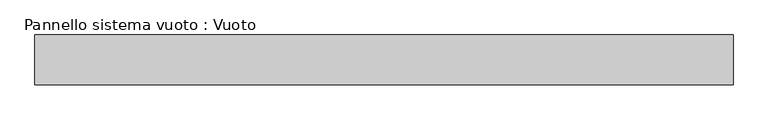
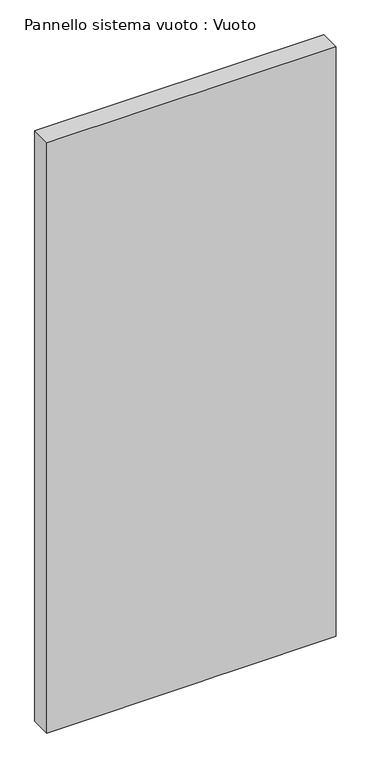
"""IFC4 building model written with IfcOpenShell, lengths in millimetres: plate geometry, Pannello sistema vuoto : Vuoto."""

import ifcopenshell
import ifcopenshell.guid

model = None  # the IFC model being written
_history = None  # IfcOwnerHistory: only IFC2X3 demands one
_inside = {}  # id of a spatial element -> (the spatial element, [elements in it])
_under = {}  # id of a project, library or spatial element -> (it, [spatial elements below it])
_declared = {}  # id of a project -> (the project, [libraries it declares])
_typed = {}  # id of a type object -> (the type object, [elements of that type])
_made_of = {}  # id of a material, layer set ... -> (it, [elements and type objects made of it])


def new_model(schema):
    """Start an empty IFC model of exactly this schema.

    Asked for "IFC4X3", IfcOpenShell would pick the latest addendum, in which some entities
    have other attributes; the version numbers below select the first issue.
    IFC2X3 requires an IfcOwnerHistory on every rooted entity: one is made here for all.
    """
    global model, _history
    if schema == "IFC4X3":
        model = ifcopenshell.file(schema_version=(4, 3, 0, 0))
    else:
        model = ifcopenshell.file(schema=schema)
    _inside.clear()
    _under.clear()
    _declared.clear()
    _typed.clear()
    _made_of.clear()
    _history = None
    if model.schema == "IFC2X3":
        org = make("IfcOrganization", Name="unknown")
        user = make(
            "IfcPersonAndOrganization",
            ThePerson=make("IfcPerson", FamilyName="unknown"),
            TheOrganization=org,
        )
        app = make(
            "IfcApplication",
            ApplicationDeveloper=org,
            Version="unknown",
            ApplicationFullName="unknown",
            ApplicationIdentifier="unknown",
        )
        _history = make(
            "IfcOwnerHistory",
            OwningUser=user,
            OwningApplication=app,
            ChangeAction="ADDED",
            CreationDate=0,
        )
    return model


def make(cls, **values):
    """One entity of the class cls with the attributes given. An attribute that is None is left unset."""
    return model.create_entity(
        cls, **{name: value for name, value in values.items() if value is not None}
    )


def rooted(cls, **values):
    """An entity with a GlobalId (a new one), such as an element, a storey or a relation."""
    return make(cls, GlobalId=ifcopenshell.guid.new(), OwnerHistory=_history, **values)


def si_unit(unit_type, name, prefix=None):
    """IfcSIUnit, for example si_unit("LENGTHUNIT", "METRE", prefix="MILLI")."""
    return make("IfcSIUnit", UnitType=unit_type, Prefix=prefix, Name=name)


def assignment(units):
    """IfcUnitAssignment: the units of a project."""
    return None if units is None else make("IfcUnitAssignment", Units=units)


def point(xyz):
    """IfcCartesianPoint."""
    return None if xyz is None else make("IfcCartesianPoint", Coordinates=xyz)


def direction(xyz):
    """IfcDirection."""
    return None if xyz is None else make("IfcDirection", DirectionRatios=xyz)


def frame(location, z_axis=None, x_axis=None):
    """IfcAxis2Placement3D, a coordinate frame: its origin and axes. An axis left out is left unset."""
    return make(
        "IfcAxis2Placement3D",
        Location=point(location),
        Axis=direction(z_axis),
        RefDirection=direction(x_axis),
    )


def origin():
    """The frame at (0, 0, 0) with its axes left unset."""
    return frame((0.0, 0.0, 0.0))


def place(relative_to, where):
    """IfcLocalPlacement: puts the frame where relative to a parent placement (None: the world)."""
    return make(
        "IfcLocalPlacement", PlacementRelTo=relative_to, RelativePlacement=where
    )


def context(
    kind, dimensions, precision=None, world=None, true_north=None, identifier=None
):
    """IfcGeometricRepresentationContext, for example the 3D "Model" context."""
    return make(
        "IfcGeometricRepresentationContext",
        ContextIdentifier=identifier,
        ContextType=kind,
        CoordinateSpaceDimension=dimensions,
        Precision=precision,
        WorldCoordinateSystem=world,
        TrueNorth=true_north,
    )


def project(units=None, contexts=None):
    """IfcProject with its units and contexts."""
    return rooted(
        "IfcProject",
        Name="project",
        RepresentationContexts=contexts,
        UnitsInContext=assignment(units),
    )


def spatial(cls, under=None, at=None, **own):
    """A site, building, storey or space (cls), placed at a placement, below another one or the project."""
    s = rooted(cls, ObjectPlacement=at, **own)
    if under is not None:
        _under.setdefault(under.id(), (under, []))[1].append(s)
    return s


def polyline(points):
    """IfcPolyline through the points."""
    return make("IfcPolyline", Points=[point(p) for p in points])


def outline(outer, holes=None, kind="AREA"):
    """IfcArbitraryClosedProfileDef: a profile drawn as a closed curve; with holes, ...WithVoids."""
    if holes is None:
        return make("IfcArbitraryClosedProfileDef", ProfileType=kind, OuterCurve=outer)
    return make(
        "IfcArbitraryProfileDefWithVoids",
        ProfileType=kind,
        OuterCurve=outer,
        InnerCurves=holes,
    )


def extrude(swept, where, along, depth):
    """IfcExtrudedAreaSolid: the profile swept, set in the frame where, extruded along a direction by depth."""
    return make(
        "IfcExtrudedAreaSolid",
        SweptArea=swept,
        Position=where,
        ExtrudedDirection=direction(along),
        Depth=depth,
    )


def shape(context_of_items, identifier, shape_type, items):
    """IfcShapeRepresentation: the items that make up one representation, for example the "Body"."""
    return make(
        "IfcShapeRepresentation",
        ContextOfItems=context_of_items,
        RepresentationIdentifier=identifier,
        RepresentationType=shape_type,
        Items=items,
    )


def source(mapping_origin, context_of_items, identifier, shape_type, items):
    """IfcRepresentationMap: a shape defined once, which mapped items show again and again."""
    return make(
        "IfcRepresentationMap",
        MappingOrigin=mapping_origin,
        MappedRepresentation=shape(context_of_items, identifier, shape_type, items),
    )


def transform(
    local_origin,
    x_axis=None,
    y_axis=None,
    z_axis=None,
    scale=None,
    scale2=None,
    scale3=None,
    uniform=True,
):
    """IfcCartesianTransformationOperator3D, or its non-uniform kind. x_axis, y_axis, z_axis: its Axis1, 2, 3."""
    if uniform:
        return make(
            "IfcCartesianTransformationOperator3D",
            Axis1=direction(x_axis),
            Axis2=direction(y_axis),
            LocalOrigin=point(local_origin),
            Scale=scale,
            Axis3=direction(z_axis),
        )
    return make(
        "IfcCartesianTransformationOperator3DnonUniform",
        Axis1=direction(x_axis),
        Axis2=direction(y_axis),
        LocalOrigin=point(local_origin),
        Scale=scale,
        Axis3=direction(z_axis),
        Scale2=scale2,
        Scale3=scale3,
    )


def mapped(mapping_source, mapping_target):
    """IfcMappedItem: shows the shape of a source again, moved by a transform."""
    return make(
        "IfcMappedItem", MappingSource=mapping_source, MappingTarget=mapping_target
    )


def made_of(thing, what):
    """Note that an element or type object is made of a material, layer set ...; save() writes the relation."""
    if what is not None:
        _made_of.setdefault(what.id(), (what, []))[1].append(thing)
    return thing


def element(
    cls,
    number,
    at=None,
    inside=None,
    cuts=None,
    type_object=None,
    material=None,
    context=None,
    identifier="Body",
    shape_type=None,
    held_by="IfcProductDefinitionShape",
    body=None,
    shapes=None,
    **own,
):
    """One element of the class cls, such as IfcWall. Its Tag is "e" and its number.

    at: its placement. inside: the storey or other place that contains it. cuts: it is an
    opening in that element (IfcRelVoidsElement). A single representation is given by context,
    identifier, shape_type and body (its items); several are given by shapes. held_by: the class
    of the entity that holds the representations. save() writes the other relations.
    """
    e = rooted(cls, Tag="e%d" % number, ObjectPlacement=at, **own)
    if body is not None:
        shapes = [shape(context, identifier, shape_type, body)]
    if shapes is not None:
        e.Representation = make(held_by, Representations=shapes)
    if inside is not None:
        _inside.setdefault(inside.id(), (inside, []))[1].append(e)
    if cuts is not None:
        rooted(
            "IfcRelVoidsElement", RelatingBuildingElement=cuts, RelatedOpeningElement=e
        )
    if type_object is not None:
        _typed.setdefault(type_object.id(), (type_object, []))[1].append(e)
    return made_of(e, material)


def aggregate(whole, parts):
    """IfcRelAggregates: a whole, such as a stair, and the parts it consists of."""
    return rooted("IfcRelAggregates", RelatingObject=whole, RelatedObjects=parts)


def save(model, path):
    """Write the relations noted so far, then the file.

    IfcRelAggregates (storeys below a building ...), IfcRelContainedInSpatialStructure (elements
    in a storey), IfcRelDefinesByType, IfcRelAssociatesMaterial and IfcRelDeclares: one each for
    every whole, place, type object, material and project.
    """
    for whole, parts in _under.values():
        aggregate(whole, parts)
    for where, things in _inside.values():
        rooted(
            "IfcRelContainedInSpatialStructure",
            RelatedElements=things,
            RelatingStructure=where,
        )
    for kind, things in _typed.values():
        rooted("IfcRelDefinesByType", RelatedObjects=things, RelatingType=kind)
    for what, things in _made_of.values():
        rooted("IfcRelAssociatesMaterial", RelatedObjects=things, RelatingMaterial=what)
    for by, libraries in _declared.values():
        rooted("IfcRelDeclares", RelatingContext=by, RelatedDefinitions=libraries)
    model.write(path)


def pannello_sistema_vuoto_vuoto_c9691a3e(model_context):
    return source(origin(), model_context, "Body", "SweptSolid", [
        extrude(outline(polyline([(0.0, -700.0), (3.0867542, 43.7303883), (3.6838449, 127.4877482), (4.1546174, 193.0011009), (4.9150838, 700.0), (3018.6006893, 700.0), (3018.6006893, -700.0), (0.0, -700.0)])), frame((0.0, 50.0, 0.0), z_axis=(0.0, 1.0, 0.0), x_axis=(0.0, 0.0, 1.0)), (0.0, 0.0, 1.0), 100.0),
    ])


if __name__ == "__main__":
    model = new_model("IFC4")
    model_context = context("Model", 3, world=origin())
    ifc_project = project(units=[si_unit("LENGTHUNIT", "METRE", prefix="MILLI")], contexts=[model_context])
    site = spatial("IfcSite", under=ifc_project)
    building = spatial("IfcBuilding", under=site)
    placement = place(None, origin())
    pannello_sistema_vuoto_vuoto_shape = pannello_sistema_vuoto_vuoto_c9691a3e(model_context)
    element("IfcPlate", 1, ObjectType="Pannello sistema vuoto : Vuoto", at=placement, inside=building, context=model_context, shape_type="MappedRepresentation", body=[
        mapped(pannello_sistema_vuoto_vuoto_shape, transform((0.0, 0.0, 0.0), x_axis=(1.0, 0.0, 0.0), y_axis=(0.0, 1.0, 0.0), z_axis=(0.0, 0.0, 1.0))),
    ])
    save(model, "model.ifc")
